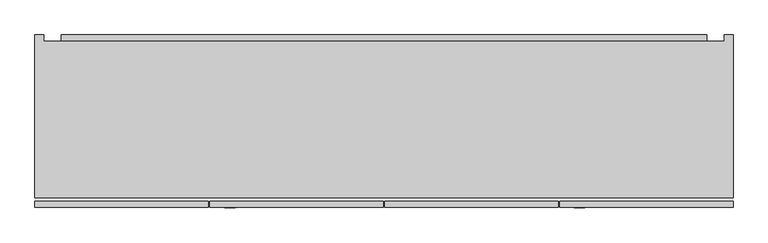
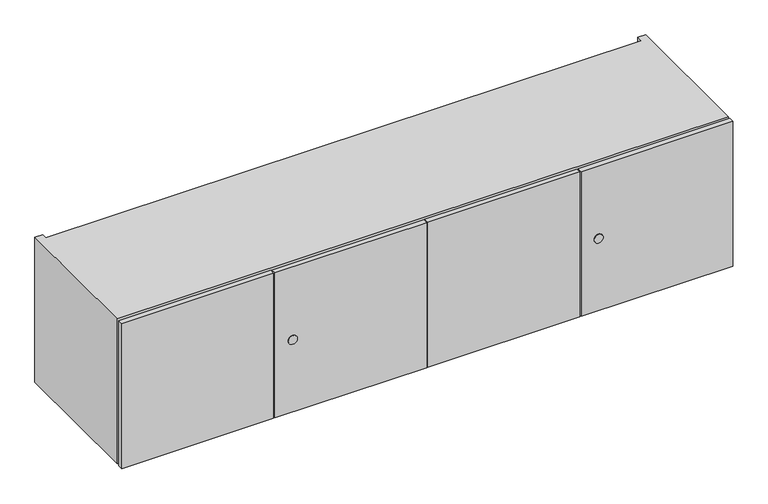
"""IFC4 building model written with IfcOpenShell, lengths in millimetres: furniture geometry."""

from ifc_helpers import new_model, si_unit, point, frame, frame_2d, origin, place, context, project, spatial, polyline, circle_curve, trimmed, segment, composite_curve, outline, extrude, faceted_brep, source, transform, mapped, element, save


def furniture_d2e8713b(model_context):
    return source(origin(), model_context, "Body", "SolidModel", [
        extrude(outline(polyline([(158.8226276, 583.946), (145.5282676, 604.62414), (145.5282676, 666.496), (158.8226276, 666.496), (158.8226276, 583.946)])), frame((-399.796, 0.0, 0.0), z_axis=(1.0, 0.0, 0.0), x_axis=(0.0, 1.0, 0.0)), (0.0, 0.0, 1.0), 1404.112),
        extrude(outline(polyline([(145.5282676, 595.63), (158.8226276, 574.95186), (158.8226276, 513.08), (145.5282676, 513.08), (145.5282676, 595.63)])), frame((-399.796, 0.0, 0.0), z_axis=(1.0, 0.0, 0.0), x_axis=(0.0, 1.0, 0.0)), (0.0, 0.0, 1.0), 1404.112),
        extrude(outline(composite_curve([segment(trimmed(circle_curve(frame_2d((495.3, -32.8422)), 11.18616), [point((495.3, -21.65604))], [point((495.3, -44.02836))], False, "CARTESIAN"), True, "CONTINUOUS"), segment(trimmed(circle_curve(frame_2d((495.3, -32.8422)), 11.18616), [point((495.3, -44.02836))], [point((495.3, -21.65604))], False, "CARTESIAN"), True, "CONTINUOUS")], self_intersect=False)), frame((0.0, -217.4148724, 0.0), z_axis=(0.0, 1.0, 0.0), x_axis=(0.0, 0.0, 1.0)), (0.0, 0.0, 1.0), 1.5875),
        extrude(outline(polyline([(681.6725, -215.8273724), (303.8475, -215.8273724), (303.8475, -203.1273724), (681.6725, -203.1273724), (681.6725, -215.8273724)])), frame((0.0, 0.0, 304.8), z_axis=(0.0, 0.0, 1.0), x_axis=(1.0, 0.0, 0.0)), (0.0, 0.0, 1.0), 381.0),
        extrude(outline(polyline([(300.6725, -215.8273724), (-77.1525, -215.8273724), (-77.1525, -203.1273724), (300.6725, -203.1273724), (300.6725, -215.8273724)])), frame((0.0, 0.0, 304.8), z_axis=(0.0, 0.0, 1.0), x_axis=(1.0, 0.0, 0.0)), (0.0, 0.0, 1.0), 381.0),
        extrude(outline(composite_curve([segment(trimmed(circle_curve(frame_2d((495.3, 727.5703)), 11.18616), [point((495.3, 738.75646))], [point((495.3, 716.38414))], False, "CARTESIAN"), True, "CONTINUOUS"), segment(trimmed(circle_curve(frame_2d((495.3, 727.5703)), 11.18616), [point((495.3, 716.38414))], [point((495.3, 738.75646))], False, "CARTESIAN"), True, "CONTINUOUS")], self_intersect=False)), frame((0.0, -217.4148724, 0.0), z_axis=(0.0, 1.0, 0.0), x_axis=(0.0, 0.0, 1.0)), (0.0, 0.0, 1.0), 1.5875),
        extrude(outline(polyline([(-80.3275, -215.8273724), (-457.2, -215.8273724), (-457.2, -203.1273724), (-80.3275, -203.1273724), (-80.3275, -215.8273724)])), frame((0.0, 0.0, 304.8), z_axis=(0.0, 0.0, 1.0), x_axis=(1.0, 0.0, 0.0)), (0.0, 0.0, 1.0), 381.0),
        extrude(outline(polyline([(1061.72, -215.8273724), (684.8475, -215.8273724), (684.8475, -203.1273724), (1061.72, -203.1273724), (1061.72, -215.8273724)])), frame((0.0, 0.0, 304.8), z_axis=(0.0, 0.0, 1.0), x_axis=(1.0, 0.0, 0.0)), (0.0, 0.0, 1.0), 381.0),
        extrude(outline(polyline([(1042.416, 145.5282676), (1042.416, 126.2242676), (-437.896, 126.2242676), (-437.896, 145.5282676), (1042.416, 145.5282676)])), frame((0.0, 0.0, 324.104), z_axis=(0.0, 0.0, 1.0), x_axis=(1.0, 0.0, 0.0)), (0.0, 0.0, 1.0), 342.392),
        faceted_brep([(-457.2, -195.5073724, 685.8), (-457.2, -195.5073724, 304.8), (1061.72, -195.5073724, 304.8), (1061.72, -195.5073724, 685.8), (-437.896, -195.5073724, 666.496), (1042.416, -195.5073724, 666.496), (1042.416, -195.5073724, 324.104), (-437.896, -195.5073724, 324.104), (1042.416, 145.5282676, 666.496), (-437.896, 145.5282676, 666.496), (-437.896, 145.5282676, 685.8), (1042.416, 145.5282676, 685.8), (1042.416, 145.5282676, 304.8), (-437.896, 145.5282676, 304.8), (-437.896, 145.5282676, 324.104), (1042.416, 145.5282676, 324.104), (1061.72, 158.8226276, 685.8), (1042.416, 158.8226276, 685.8), (-437.896, 158.8226276, 685.8), (-457.2, 158.8226276, 685.8), (-457.2, 158.8226276, 304.8), (-437.896, 158.8226276, 304.8), (1042.416, 158.8226276, 304.8), (1061.72, 158.8226276, 304.8)], [[[0, 1, 2, 3], [4, 5, 6, 7]], [[8, 9, 10, 11]], [[12, 13, 14, 15]], [[0, 3, 16, 17, 11, 10, 18, 19]], [[5, 4, 9, 8]], [[7, 6, 15, 14]], [[2, 1, 20, 21, 13, 12, 22, 23]], [[19, 18, 21, 20]], [[0, 19, 20, 1]], [[21, 18, 10, 9, 4, 7, 14, 13]], [[17, 22, 12, 15, 6, 5, 8, 11]], [[16, 3, 2, 23]], [[17, 16, 23, 22]]]),
    ])


if __name__ == "__main__":
    model = new_model("IFC4")
    model_context = context("Model", 3, world=origin())
    ifc_project = project(units=[si_unit("LENGTHUNIT", "METRE", prefix="MILLI")], contexts=[model_context])
    site = spatial("IfcSite", under=ifc_project)
    building = spatial("IfcBuilding", under=site)
    placement = place(None, origin())
    furniture_shape = furniture_d2e8713b(model_context)
    element("IfcFurniture", 1, at=placement, inside=building, context=model_context, shape_type="MappedRepresentation", body=[
        mapped(furniture_shape, transform((0.0, 0.0, 0.0), x_axis=(1.0, 0.0, 0.0), y_axis=(0.0, 1.0, 0.0), z_axis=(0.0, 0.0, 1.0))),
    ])
    save(model, "model.ifc")
